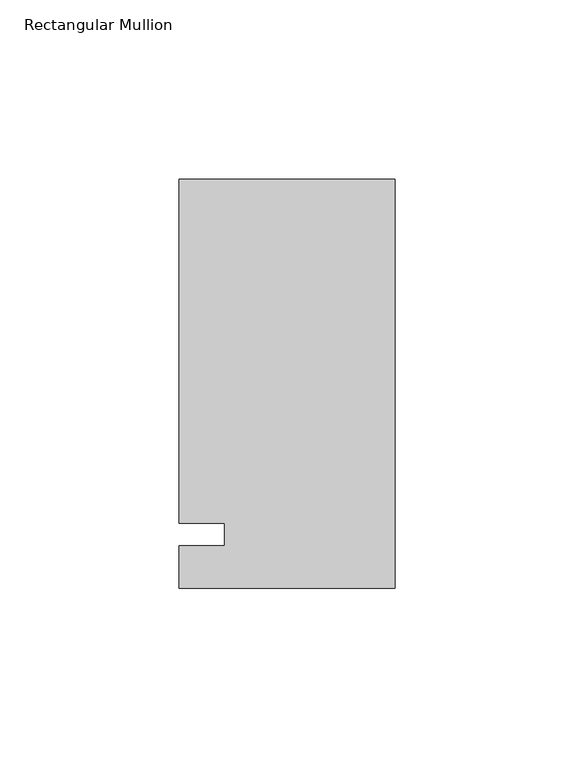
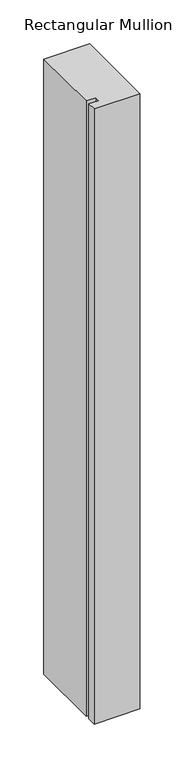
"""IFC4 building model written with IfcOpenShell, lengths in millimetres: member geometry, Rectangular Mullion."""

import ifcopenshell
import ifcopenshell.guid

model = None  # the IFC model being written
_history = None  # IfcOwnerHistory: only IFC2X3 demands one
_inside = {}  # id of a spatial element -> (the spatial element, [elements in it])
_under = {}  # id of a project, library or spatial element -> (it, [spatial elements below it])
_declared = {}  # id of a project -> (the project, [libraries it declares])
_typed = {}  # id of a type object -> (the type object, [elements of that type])
_made_of = {}  # id of a material, layer set ... -> (it, [elements and type objects made of it])


def new_model(schema):
    """Start an empty IFC model of exactly this schema.

    Asked for "IFC4X3", IfcOpenShell would pick the latest addendum, in which some entities
    have other attributes; the version numbers below select the first issue.
    IFC2X3 requires an IfcOwnerHistory on every rooted entity: one is made here for all.
    """
    global model, _history
    if schema == "IFC4X3":
        model = ifcopenshell.file(schema_version=(4, 3, 0, 0))
    else:
        model = ifcopenshell.file(schema=schema)
    _inside.clear()
    _under.clear()
    _declared.clear()
    _typed.clear()
    _made_of.clear()
    _history = None
    if model.schema == "IFC2X3":
        org = make("IfcOrganization", Name="unknown")
        user = make(
            "IfcPersonAndOrganization",
            ThePerson=make("IfcPerson", FamilyName="unknown"),
            TheOrganization=org,
        )
        app = make(
            "IfcApplication",
            ApplicationDeveloper=org,
            Version="unknown",
            ApplicationFullName="unknown",
            ApplicationIdentifier="unknown",
        )
        _history = make(
            "IfcOwnerHistory",
            OwningUser=user,
            OwningApplication=app,
            ChangeAction="ADDED",
            CreationDate=0,
        )
    return model


def make(cls, **values):
    """One entity of the class cls with the attributes given. An attribute that is None is left unset."""
    return model.create_entity(
        cls, **{name: value for name, value in values.items() if value is not None}
    )


def rooted(cls, **values):
    """An entity with a GlobalId (a new one), such as an element, a storey or a relation."""
    return make(cls, GlobalId=ifcopenshell.guid.new(), OwnerHistory=_history, **values)


def si_unit(unit_type, name, prefix=None):
    """IfcSIUnit, for example si_unit("LENGTHUNIT", "METRE", prefix="MILLI")."""
    return make("IfcSIUnit", UnitType=unit_type, Prefix=prefix, Name=name)


def assignment(units):
    """IfcUnitAssignment: the units of a project."""
    return None if units is None else make("IfcUnitAssignment", Units=units)


def point(xyz):
    """IfcCartesianPoint."""
    return None if xyz is None else make("IfcCartesianPoint", Coordinates=xyz)


def direction(xyz):
    """IfcDirection."""
    return None if xyz is None else make("IfcDirection", DirectionRatios=xyz)


def frame(location, z_axis=None, x_axis=None):
    """IfcAxis2Placement3D, a coordinate frame: its origin and axes. An axis left out is left unset."""
    return make(
        "IfcAxis2Placement3D",
        Location=point(location),
        Axis=direction(z_axis),
        RefDirection=direction(x_axis),
    )


def origin():
    """The frame at (0, 0, 0) with its axes left unset."""
    return frame((0.0, 0.0, 0.0))


def place(relative_to, where):
    """IfcLocalPlacement: puts the frame where relative to a parent placement (None: the world)."""
    return make(
        "IfcLocalPlacement", PlacementRelTo=relative_to, RelativePlacement=where
    )


def context(
    kind, dimensions, precision=None, world=None, true_north=None, identifier=None
):
    """IfcGeometricRepresentationContext, for example the 3D "Model" context."""
    return make(
        "IfcGeometricRepresentationContext",
        ContextIdentifier=identifier,
        ContextType=kind,
        CoordinateSpaceDimension=dimensions,
        Precision=precision,
        WorldCoordinateSystem=world,
        TrueNorth=true_north,
    )


def project(units=None, contexts=None):
    """IfcProject with its units and contexts."""
    return rooted(
        "IfcProject",
        Name="project",
        RepresentationContexts=contexts,
        UnitsInContext=assignment(units),
    )


def spatial(cls, under=None, at=None, **own):
    """A site, building, storey or space (cls), placed at a placement, below another one or the project."""
    s = rooted(cls, ObjectPlacement=at, **own)
    if under is not None:
        _under.setdefault(under.id(), (under, []))[1].append(s)
    return s


def polyline(points):
    """IfcPolyline through the points."""
    return make("IfcPolyline", Points=[point(p) for p in points])


def outline(outer, holes=None, kind="AREA"):
    """IfcArbitraryClosedProfileDef: a profile drawn as a closed curve; with holes, ...WithVoids."""
    if holes is None:
        return make("IfcArbitraryClosedProfileDef", ProfileType=kind, OuterCurve=outer)
    return make(
        "IfcArbitraryProfileDefWithVoids",
        ProfileType=kind,
        OuterCurve=outer,
        InnerCurves=holes,
    )


def extrude(swept, where, along, depth):
    """IfcExtrudedAreaSolid: the profile swept, set in the frame where, extruded along a direction by depth."""
    return make(
        "IfcExtrudedAreaSolid",
        SweptArea=swept,
        Position=where,
        ExtrudedDirection=direction(along),
        Depth=depth,
    )


def shape(context_of_items, identifier, shape_type, items):
    """IfcShapeRepresentation: the items that make up one representation, for example the "Body"."""
    return make(
        "IfcShapeRepresentation",
        ContextOfItems=context_of_items,
        RepresentationIdentifier=identifier,
        RepresentationType=shape_type,
        Items=items,
    )


def source(mapping_origin, context_of_items, identifier, shape_type, items):
    """IfcRepresentationMap: a shape defined once, which mapped items show again and again."""
    return make(
        "IfcRepresentationMap",
        MappingOrigin=mapping_origin,
        MappedRepresentation=shape(context_of_items, identifier, shape_type, items),
    )


def transform(
    local_origin,
    x_axis=None,
    y_axis=None,
    z_axis=None,
    scale=None,
    scale2=None,
    scale3=None,
    uniform=True,
):
    """IfcCartesianTransformationOperator3D, or its non-uniform kind. x_axis, y_axis, z_axis: its Axis1, 2, 3."""
    if uniform:
        return make(
            "IfcCartesianTransformationOperator3D",
            Axis1=direction(x_axis),
            Axis2=direction(y_axis),
            LocalOrigin=point(local_origin),
            Scale=scale,
            Axis3=direction(z_axis),
        )
    return make(
        "IfcCartesianTransformationOperator3DnonUniform",
        Axis1=direction(x_axis),
        Axis2=direction(y_axis),
        LocalOrigin=point(local_origin),
        Scale=scale,
        Axis3=direction(z_axis),
        Scale2=scale2,
        Scale3=scale3,
    )


def mapped(mapping_source, mapping_target):
    """IfcMappedItem: shows the shape of a source again, moved by a transform."""
    return make(
        "IfcMappedItem", MappingSource=mapping_source, MappingTarget=mapping_target
    )


def made_of(thing, what):
    """Note that an element or type object is made of a material, layer set ...; save() writes the relation."""
    if what is not None:
        _made_of.setdefault(what.id(), (what, []))[1].append(thing)
    return thing


def element(
    cls,
    number,
    at=None,
    inside=None,
    cuts=None,
    type_object=None,
    material=None,
    context=None,
    identifier="Body",
    shape_type=None,
    held_by="IfcProductDefinitionShape",
    body=None,
    shapes=None,
    **own,
):
    """One element of the class cls, such as IfcWall. Its Tag is "e" and its number.

    at: its placement. inside: the storey or other place that contains it. cuts: it is an
    opening in that element (IfcRelVoidsElement). A single representation is given by context,
    identifier, shape_type and body (its items); several are given by shapes. held_by: the class
    of the entity that holds the representations. save() writes the other relations.
    """
    e = rooted(cls, Tag="e%d" % number, ObjectPlacement=at, **own)
    if body is not None:
        shapes = [shape(context, identifier, shape_type, body)]
    if shapes is not None:
        e.Representation = make(held_by, Representations=shapes)
    if inside is not None:
        _inside.setdefault(inside.id(), (inside, []))[1].append(e)
    if cuts is not None:
        rooted(
            "IfcRelVoidsElement", RelatingBuildingElement=cuts, RelatedOpeningElement=e
        )
    if type_object is not None:
        _typed.setdefault(type_object.id(), (type_object, []))[1].append(e)
    return made_of(e, material)


def aggregate(whole, parts):
    """IfcRelAggregates: a whole, such as a stair, and the parts it consists of."""
    return rooted("IfcRelAggregates", RelatingObject=whole, RelatedObjects=parts)


def save(model, path):
    """Write the relations noted so far, then the file.

    IfcRelAggregates (storeys below a building ...), IfcRelContainedInSpatialStructure (elements
    in a storey), IfcRelDefinesByType, IfcRelAssociatesMaterial and IfcRelDeclares: one each for
    every whole, place, type object, material and project.
    """
    for whole, parts in _under.values():
        aggregate(whole, parts)
    for where, things in _inside.values():
        rooted(
            "IfcRelContainedInSpatialStructure",
            RelatedElements=things,
            RelatingStructure=where,
        )
    for kind, things in _typed.values():
        rooted("IfcRelDefinesByType", RelatedObjects=things, RelatingType=kind)
    for what, things in _made_of.values():
        rooted("IfcRelAssociatesMaterial", RelatedObjects=things, RelatingMaterial=what)
    for by, libraries in _declared.values():
        rooted("IfcRelDeclares", RelatingContext=by, RelatedDefinitions=libraries)
    model.write(path)


def rectangular_mullion_4c5c5956(model_context):
    return source(origin(), model_context, "Body", "SweptSolid", [
        extrude(outline(polyline([(-60.325, 99.21875), (0.0, 99.21875), (0.0, -15.08125), (-60.325, -15.08125), (-60.325, -3.175), (-47.6232296, -3.175), (-47.6232296, 3.175), (-60.325, 3.175), (-60.325, 99.21875)])), frame((0.0, 0.0, -855.2344027), z_axis=(0.0, 0.0, 1.0), x_axis=(1.0, 0.0, 0.0)), (0.0, 0.0, 1.0), 855.2344027),
    ])


if __name__ == "__main__":
    model = new_model("IFC4")
    model_context = context("Model", 3, world=origin())
    ifc_project = project(units=[si_unit("LENGTHUNIT", "METRE", prefix="MILLI")], contexts=[model_context])
    site = spatial("IfcSite", under=ifc_project)
    building = spatial("IfcBuilding", under=site)
    placement = place(None, origin())
    rectangular_mullion_shape = rectangular_mullion_4c5c5956(model_context)
    element("IfcMember", 1, ObjectType="Rectangular Mullion", at=placement, inside=building, context=model_context, shape_type="MappedRepresentation", body=[
        mapped(rectangular_mullion_shape, transform((0.0, 0.0, 0.0), x_axis=(1.0, 0.0, 0.0), y_axis=(0.0, 1.0, 0.0), z_axis=(0.0, 0.0, 1.0))),
    ])
    save(model, "model.ifc")
